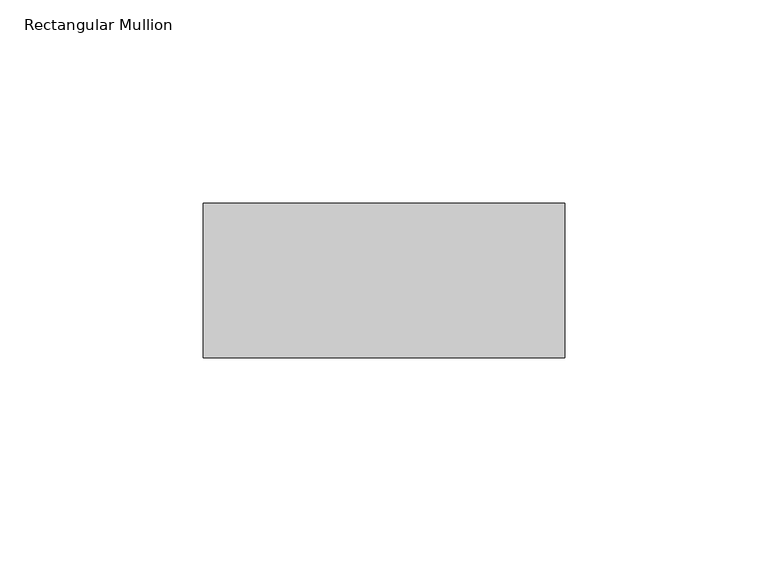
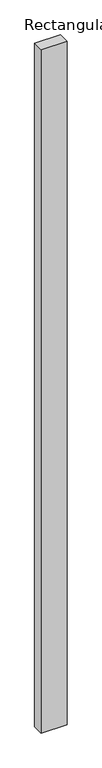
"""IFC4 building model written with IfcOpenShell, lengths in millimetres: member geometry, Rectangular Mullion."""

from ifc_helpers import new_model, si_unit, frame, origin, place, context, project, spatial, polyline, outline, extrude, source, transform, mapped, element, save


def rectangular_mullion_5f890e93(model_context):
    return source(origin(), model_context, "Body", "SweptSolid", [
        extrude(outline(polyline([(0.0, 58.0), (0.0, 20.0), (-89.0, 20.0), (-89.0, 58.0), (0.0, 58.0)])), frame((0.0, 0.0, -2490.0), z_axis=(0.0, 0.0, 1.0), x_axis=(1.0, 0.0, 0.0)), (0.0, 0.0, 1.0), 2490.0),
    ])


if __name__ == "__main__":
    model = new_model("IFC4")
    model_context = context("Model", 3, world=origin())
    ifc_project = project(units=[si_unit("LENGTHUNIT", "METRE", prefix="MILLI")], contexts=[model_context])
    site = spatial("IfcSite", under=ifc_project)
    building = spatial("IfcBuilding", under=site)
    placement = place(None, origin())
    rectangular_mullion_shape = rectangular_mullion_5f890e93(model_context)
    element("IfcMember", 1, ObjectType="Rectangular Mullion", at=placement, inside=building, context=model_context, shape_type="MappedRepresentation", body=[
        mapped(rectangular_mullion_shape, transform((0.0, 0.0, 0.0), x_axis=(1.0, 0.0, 0.0), y_axis=(0.0, 1.0, 0.0), z_axis=(0.0, 0.0, 1.0))),
    ])
    save(model, "model.ifc")
